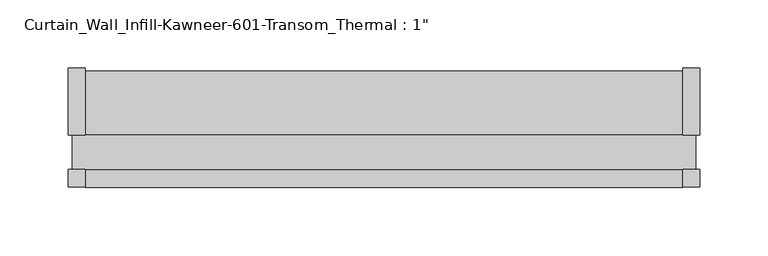
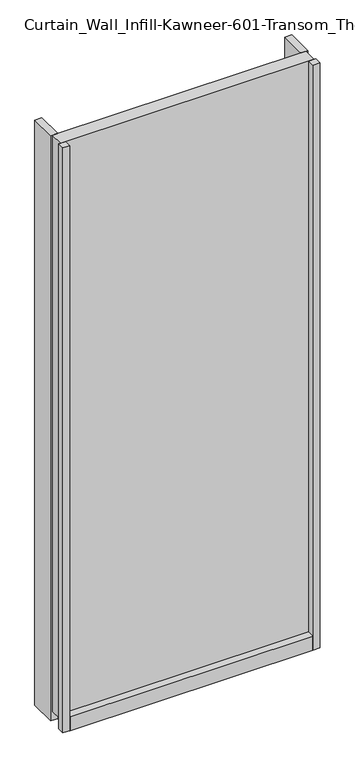
"""IFC4 building model written with IfcOpenShell, lengths in millimetres: plate geometry."""

from ifc_helpers import new_model, si_unit, frame, origin, origin_with_axes, place, context, project, spatial, polyline, outline, extrude, source, transform, mapped, element, save


def plate_779f43bf(model_context):
    return source(origin(), model_context, "Body", "SweptSolid", [
        extrude(outline(polyline([(219.0750996, -25.2723869), (219.0750996, -12.7), (231.7750996, -12.7), (231.7750996, -25.2723869), (219.0750996, -25.2723869)])), origin_with_axes(), (0.0, 0.0, 1.0), 1114.425),
        extrude(outline(polyline([(231.7750996, 62.0401131), (231.7750996, 12.7), (219.0750996, 12.7), (219.0750996, 62.0401131), (231.7750996, 62.0401131)])), origin_with_axes(), (0.0, 0.0, 1.0), 1114.425),
        extrude(outline(polyline([(-219.0750996, -25.2723869), (-231.7750996, -25.2723869), (-231.7750996, -12.7), (-219.0750996, -12.7), (-219.0750996, -25.2723869)])), origin_with_axes(), (0.0, 0.0, 1.0), 1114.425),
        extrude(outline(polyline([(-231.7750996, 62.0401131), (-219.0750996, 62.0401131), (-219.0750996, 12.7), (-231.7750996, 12.7), (-231.7750996, 62.0401131)])), origin_with_axes(), (0.0, 0.0, 1.0), 1114.425),
        extrude(outline(polyline([(-12.7, 26.9875), (-12.7, 17.4625), (12.7, 17.4625), (12.7, 26.9875), (60.091499, 26.9875), (60.091499, 0.0), (-25.625216, 0.0), (-25.625216, 26.9875), (-12.7, 26.9875)])), frame((-219.0750996, 0.0, 0.0), z_axis=(1.0, 0.0, 0.0), x_axis=(0.0, 1.0, 0.0)), (0.0, 0.0, 1.0), 438.1501993),
        extrude(outline(polyline([(-228.6000996, -12.7), (-228.6000996, 12.7), (228.6000996, 12.7), (228.6000996, -12.7), (-228.6000996, -12.7)])), frame((0.0, 0.0, 17.4625), z_axis=(0.0, 0.0, 1.0), x_axis=(1.0, 0.0, 0.0)), (0.0, 0.0, 1.0), 1096.9625),
    ])


if __name__ == "__main__":
    model = new_model("IFC4")
    model_context = context("Model", 3, world=origin())
    ifc_project = project(units=[si_unit("LENGTHUNIT", "METRE", prefix="MILLI")], contexts=[model_context])
    site = spatial("IfcSite", under=ifc_project)
    building = spatial("IfcBuilding", under=site)
    placement = place(None, origin())
    plate_shape = plate_779f43bf(model_context)
    element("IfcPlate", 1, ObjectType="Curtain_Wall_Infill-Kawneer-601-Transom_Thermal : 1\"", at=placement, inside=building, context=model_context, shape_type="MappedRepresentation", body=[
        mapped(plate_shape, transform((0.0, 0.0, 0.0), x_axis=(1.0, 0.0, 0.0), y_axis=(0.0, 1.0, 0.0), z_axis=(0.0, 0.0, 1.0))),
    ])
    save(model, "model.ifc")
